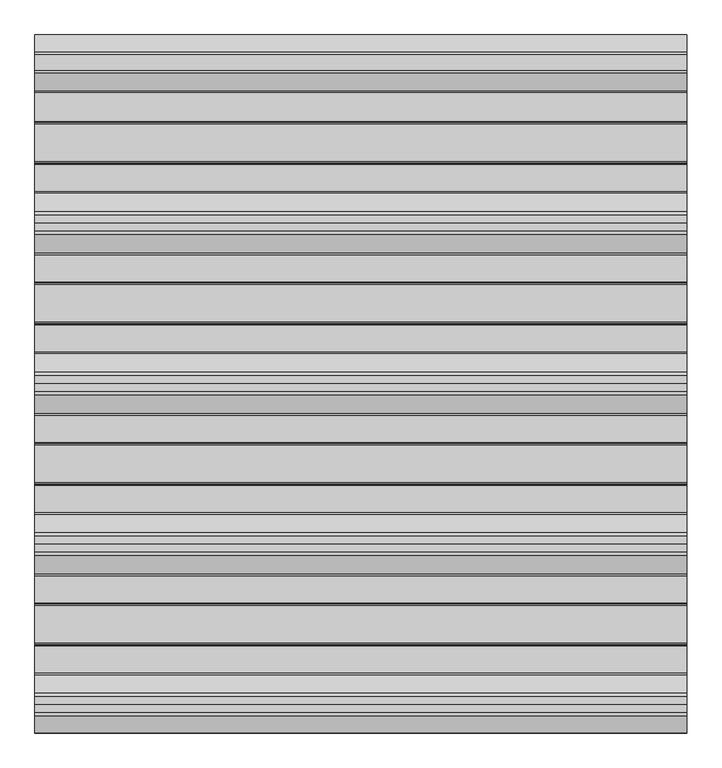
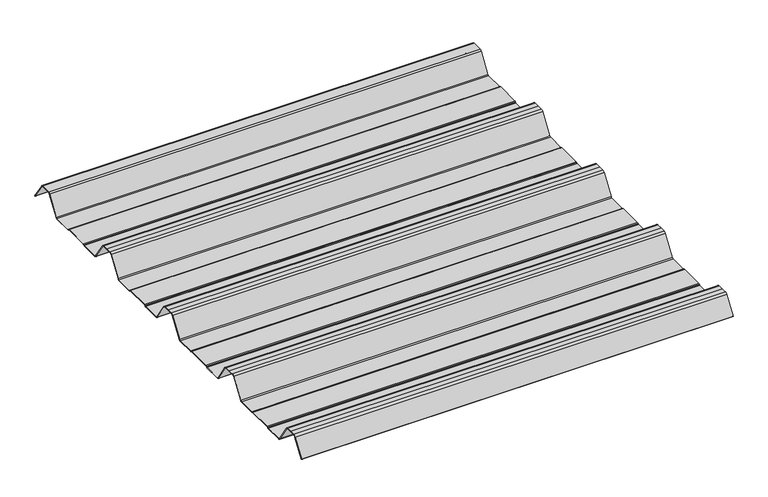
"""IFC4 building model written with IfcOpenShell, lengths in millimetres: beam geometry."""

from ifc_helpers import new_model, si_unit, point, frame, frame_2d, origin, place, context, project, spatial, polyline, circle_curve, trimmed, segment, composite_curve, outline, extrude, source, transform, mapped, element, save


def beam_3bdd080f(model_context):
    return source(origin(), model_context, "Body", "SweptSolid", [
        extrude(outline(composite_curve([segment(trimmed(circle_curve(frame_2d((-42.8221294, -22.7927378)), 1.9969096), [point((-42.8221294, -24.7896475))], [point((-41.1570881, -23.8951378))], True, "CARTESIAN"), True, "CONTINUOUS"), segment(polyline([(-41.1570881, -23.8951378), (-15.2135106, 15.2894853)]), True, "CONTINUOUS"), segment(trimmed(circle_curve(frame_2d((-11.5, 12.6603525)), 4.55), [point((-15.2135106, 15.2894853))], [point((-11.5, 17.2103525))], False, "CARTESIAN"), True, "CONTINUOUS"), segment(polyline([(-11.5, 17.2103525), (11.5, 17.2103525)]), True, "CONTINUOUS"), segment(trimmed(circle_curve(frame_2d((11.5, 12.6603525)), 4.55), [point((11.5, 17.2103525))], [point((15.2135106, 15.2894853))], False, "CARTESIAN"), True, "CONTINUOUS"), segment(polyline([(15.2135106, 15.2894853), (40.2177712, -22.4764137)]), True, "CONTINUOUS"), segment(trimmed(circle_curve(frame_2d((39.8008667, -22.7524402)), 0.5), [point((40.2177712, -22.4764137))], [point((39.3839622, -23.0284667))], False, "CARTESIAN"), True, "CONTINUOUS"), segment(polyline([(39.3839622, -23.0284667), (14.3888612, 14.7235977)]), True, "CONTINUOUS"), segment(trimmed(circle_curve(frame_2d((11.5, 12.6603525)), 3.55), [point((14.3888612, 14.7235977))], [point((11.5, 16.2103525))], True, "CARTESIAN"), True, "CONTINUOUS"), segment(polyline([(11.5, 16.2103525), (-11.5, 16.2103525)]), True, "CONTINUOUS"), segment(trimmed(circle_curve(frame_2d((-11.5, 12.6603525)), 3.55), [point((-11.5, 16.2103525))], [point((-14.3888612, 14.7235977))], True, "CARTESIAN"), True, "CONTINUOUS"), segment(polyline([(-14.3888612, 14.7235977), (-40.3232791, -24.4471908)]), True, "CONTINUOUS"), segment(trimmed(circle_curve(frame_2d((-42.8221294, -22.7927378)), 2.9969096), [point((-40.3232791, -24.4471908))], [point((-42.8221294, -25.7896475))], False, "CARTESIAN"), True, "CONTINUOUS"), segment(polyline([(-42.8221294, -25.7896475), (-85.388552, -25.7896475)]), True, "CONTINUOUS"), segment(trimmed(circle_curve(frame_2d((-85.388552, -24.3396475)), 1.45), [point((-85.388552, -25.7896475))], [point((-86.3205937, -25.4504122))], False, "CARTESIAN"), True, "CONTINUOUS"), segment(polyline([(-86.3205937, -25.4504122), (-87.5888326, -24.386234)]), True, "CONTINUOUS"), segment(trimmed(circle_curve(frame_2d((-89.2279412, -26.3396487)), 2.5500012), [point((-87.5888326, -24.386234))], [point((-89.2279412, -23.7896475))], True, "CARTESIAN"), True, "CONTINUOUS"), segment(polyline([(-89.2279412, -23.7896475), (-143.2720588, -23.7896475)]), True, "CONTINUOUS"), segment(trimmed(circle_curve(frame_2d((-143.2720588, -26.3396487)), 2.5500012), [point((-143.2720588, -23.7896475))], [point((-144.9111674, -24.386234))], True, "CARTESIAN"), True, "CONTINUOUS"), segment(polyline([(-144.9111674, -24.386234), (-146.1794063, -25.4504122)]), True, "CONTINUOUS"), segment(trimmed(circle_curve(frame_2d((-147.111448, -24.3396475)), 1.45), [point((-146.1794063, -25.4504122))], [point((-147.111448, -25.7896475))], False, "CARTESIAN"), True, "CONTINUOUS"), segment(polyline([(-147.111448, -25.7896475), (-186.4999995, -25.7896475)]), True, "CONTINUOUS"), segment(trimmed(circle_curve(frame_2d((-186.4999995, -21.3396478)), 4.4499996), [point((-186.4999995, -25.7896475))], [point((-190.1531515, -23.8807062))], False, "CARTESIAN"), True, "CONTINUOUS"), segment(polyline([(-190.1531515, -23.8807062), (-216.4608773, 15.8539187)]), True, "CONTINUOUS"), segment(trimmed(circle_curve(frame_2d((-221.0, 12.6603525)), 5.55), [point((-216.4608773, 15.8539187))], [point((-221.0, 18.2103525))], True, "CARTESIAN"), True, "CONTINUOUS"), segment(polyline([(-221.0, 18.2103525), (-232.5, 18.2103525), (-244.0, 18.2103525)]), True, "CONTINUOUS"), segment(trimmed(circle_curve(frame_2d((-244.0, 12.6603525)), 5.55), [point((-244.0, 18.2103525))], [point((-248.5391227, 15.8539187))], True, "CARTESIAN"), True, "CONTINUOUS"), segment(polyline([(-248.5391227, 15.8539187), (-274.8468485, -23.8807062)]), True, "CONTINUOUS"), segment(trimmed(circle_curve(frame_2d((-278.5000005, -21.3396478)), 4.4499996), [point((-274.8468485, -23.8807062))], [point((-278.5000005, -25.7896475))], False, "CARTESIAN"), True, "CONTINUOUS"), segment(polyline([(-278.5000005, -25.7896475), (-317.888552, -25.7896475)]), True, "CONTINUOUS"), segment(trimmed(circle_curve(frame_2d((-317.888552, -24.3396475)), 1.45), [point((-317.888552, -25.7896475))], [point((-318.8205937, -25.4504122))], False, "CARTESIAN"), True, "CONTINUOUS"), segment(polyline([(-318.8205937, -25.4504122), (-320.0888326, -24.386234)]), True, "CONTINUOUS"), segment(trimmed(circle_curve(frame_2d((-321.7279412, -26.3396487)), 2.5500012), [point((-320.0888326, -24.386234))], [point((-321.7279412, -23.7896475))], True, "CARTESIAN"), True, "CONTINUOUS"), segment(polyline([(-321.7279412, -23.7896475), (-375.7720588, -23.7896475)]), True, "CONTINUOUS"), segment(trimmed(circle_curve(frame_2d((-375.7720588, -26.3396487)), 2.5500012), [point((-375.7720588, -23.7896475))], [point((-377.4111674, -24.386234))], True, "CARTESIAN"), True, "CONTINUOUS"), segment(polyline([(-377.4111674, -24.386234), (-378.6794063, -25.4504122)]), True, "CONTINUOUS"), segment(trimmed(circle_curve(frame_2d((-379.611448, -24.3396475)), 1.45), [point((-378.6794063, -25.4504122))], [point((-379.611448, -25.7896475))], False, "CARTESIAN"), True, "CONTINUOUS"), segment(polyline([(-379.611448, -25.7896475), (-418.9999995, -25.7896475)]), True, "CONTINUOUS"), segment(trimmed(circle_curve(frame_2d((-418.9999995, -21.3396478)), 4.4499996), [point((-418.9999995, -25.7896475))], [point((-422.6531515, -23.8807062))], False, "CARTESIAN"), True, "CONTINUOUS"), segment(polyline([(-422.6531515, -23.8807062), (-448.9608773, 15.8539187)]), True, "CONTINUOUS"), segment(trimmed(circle_curve(frame_2d((-453.5, 12.6603525)), 5.55), [point((-448.9608773, 15.8539187))], [point((-453.5, 18.2103525))], True, "CARTESIAN"), True, "CONTINUOUS"), segment(polyline([(-453.5, 18.2103525), (-465.0, 18.2103525), (-476.5, 18.2103525)]), True, "CONTINUOUS"), segment(trimmed(circle_curve(frame_2d((-476.5, 12.6603525)), 5.55), [point((-476.5, 18.2103525))], [point((-481.0391227, 15.8539187))], True, "CARTESIAN"), True, "CONTINUOUS"), segment(polyline([(-481.0391227, 15.8539187), (-507.3468485, -23.8807062)]), True, "CONTINUOUS"), segment(trimmed(circle_curve(frame_2d((-511.0000005, -21.3396478)), 4.4499996), [point((-507.3468485, -23.8807062))], [point((-511.0000005, -25.7896475))], False, "CARTESIAN"), True, "CONTINUOUS"), segment(polyline([(-511.0000005, -25.7896475), (-550.388552, -25.7896475)]), True, "CONTINUOUS"), segment(trimmed(circle_curve(frame_2d((-550.388552, -24.3396475)), 1.45), [point((-550.388552, -25.7896475))], [point((-551.3205937, -25.4504122))], False, "CARTESIAN"), True, "CONTINUOUS"), segment(polyline([(-551.3205937, -25.4504122), (-552.5888326, -24.386234)]), True, "CONTINUOUS"), segment(trimmed(circle_curve(frame_2d((-554.2279412, -26.3396487)), 2.5500012), [point((-552.5888326, -24.386234))], [point((-554.2279412, -23.7896475))], True, "CARTESIAN"), True, "CONTINUOUS"), segment(polyline([(-554.2279412, -23.7896475), (-608.2720588, -23.7896475)]), True, "CONTINUOUS"), segment(trimmed(circle_curve(frame_2d((-608.2720588, -26.3396487)), 2.5500012), [point((-608.2720588, -23.7896475))], [point((-609.9111674, -24.386234))], True, "CARTESIAN"), True, "CONTINUOUS"), segment(polyline([(-609.9111674, -24.386234), (-611.1794063, -25.4504122)]), True, "CONTINUOUS"), segment(trimmed(circle_curve(frame_2d((-612.111448, -24.3396475)), 1.45), [point((-611.1794063, -25.4504122))], [point((-612.111448, -25.7896475))], False, "CARTESIAN"), True, "CONTINUOUS"), segment(polyline([(-612.111448, -25.7896475), (-651.4999995, -25.7896475)]), True, "CONTINUOUS"), segment(trimmed(circle_curve(frame_2d((-651.4999995, -21.3396478)), 4.4499996), [point((-651.4999995, -25.7896475))], [point((-655.1531515, -23.8807062))], False, "CARTESIAN"), True, "CONTINUOUS"), segment(polyline([(-655.1531515, -23.8807062), (-681.4608773, 15.8539187)]), True, "CONTINUOUS"), segment(trimmed(circle_curve(frame_2d((-686.0, 12.6603525)), 5.55), [point((-681.4608773, 15.8539187))], [point((-686.0, 18.2103525))], True, "CARTESIAN"), True, "CONTINUOUS"), segment(polyline([(-686.0, 18.2103525), (-697.5, 18.2103525), (-709.0, 18.2103525)]), True, "CONTINUOUS"), segment(trimmed(circle_curve(frame_2d((-709.0, 12.6603525)), 5.55), [point((-709.0, 18.2103525))], [point((-713.5391227, 15.8539187))], True, "CARTESIAN"), True, "CONTINUOUS"), segment(polyline([(-713.5391227, 15.8539187), (-739.8468485, -23.8807062)]), True, "CONTINUOUS"), segment(trimmed(circle_curve(frame_2d((-743.5000005, -21.3396478)), 4.4499996), [point((-739.8468485, -23.8807062))], [point((-743.5000005, -25.7896475))], False, "CARTESIAN"), True, "CONTINUOUS"), segment(polyline([(-743.5000005, -25.7896475), (-782.888552, -25.7896475)]), True, "CONTINUOUS"), segment(trimmed(circle_curve(frame_2d((-782.888552, -24.3396475)), 1.45), [point((-782.888552, -25.7896475))], [point((-783.8205937, -25.4504122))], False, "CARTESIAN"), True, "CONTINUOUS"), segment(polyline([(-783.8205937, -25.4504122), (-785.0888326, -24.386234)]), True, "CONTINUOUS"), segment(trimmed(circle_curve(frame_2d((-786.7279412, -26.3396487)), 2.5500012), [point((-785.0888326, -24.386234))], [point((-786.7279412, -23.7896475))], True, "CARTESIAN"), True, "CONTINUOUS"), segment(polyline([(-786.7279412, -23.7896475), (-840.7720588, -23.7896475)]), True, "CONTINUOUS"), segment(trimmed(circle_curve(frame_2d((-840.7720588, -26.3396487)), 2.5500012), [point((-840.7720588, -23.7896475))], [point((-842.4111674, -24.386234))], True, "CARTESIAN"), True, "CONTINUOUS"), segment(polyline([(-842.4111674, -24.386234), (-843.6794063, -25.4504122)]), True, "CONTINUOUS"), segment(trimmed(circle_curve(frame_2d((-844.611448, -24.3396475)), 1.45), [point((-843.6794063, -25.4504122))], [point((-844.611448, -25.7896475))], False, "CARTESIAN"), True, "CONTINUOUS"), segment(polyline([(-844.611448, -25.7896475), (-883.9999995, -25.7896475)]), True, "CONTINUOUS"), segment(trimmed(circle_curve(frame_2d((-883.9999995, -21.3396478)), 4.4499996), [point((-883.9999995, -25.7896475))], [point((-887.6531515, -23.8807062))], False, "CARTESIAN"), True, "CONTINUOUS"), segment(polyline([(-887.6531515, -23.8807062), (-913.9608773, 15.8539187)]), True, "CONTINUOUS"), segment(trimmed(circle_curve(frame_2d((-918.5, 12.6603525)), 5.55), [point((-913.9608773, 15.8539187))], [point((-918.5, 18.2103525))], True, "CARTESIAN"), True, "CONTINUOUS"), segment(polyline([(-918.5, 18.2103525), (-930.0, 18.2103525), (-941.5, 18.2103525)]), True, "CONTINUOUS"), segment(trimmed(circle_curve(frame_2d((-941.5, 12.6603525)), 5.55), [point((-941.5, 18.2103525))], [point((-946.0391227, 15.8539187))], True, "CARTESIAN"), True, "CONTINUOUS"), segment(polyline([(-946.0391227, 15.8539187), (-969.9715304, -20.2930766)]), True, "CONTINUOUS"), segment(trimmed(circle_curve(frame_2d((-970.3884349, -20.0170501)), 0.5), [point((-969.9715304, -20.2930766))], [point((-970.8053395, -19.7410236))], False, "CARTESIAN"), True, "CONTINUOUS"), segment(polyline([(-970.8053395, -19.7410236), (-946.8654458, 16.4172784)]), True, "CONTINUOUS"), segment(trimmed(circle_curve(frame_2d((-941.5, 12.6603525)), 6.55), [point((-946.8654458, 16.4172784))], [point((-941.5, 19.2103525))], False, "CARTESIAN"), True, "CONTINUOUS"), segment(polyline([(-941.5, 19.2103525), (-930.0, 19.2103525), (-918.5, 19.2103525)]), True, "CONTINUOUS"), segment(trimmed(circle_curve(frame_2d((-918.5, 12.6603525)), 6.55), [point((-918.5, 19.2103525))], [point((-913.1345542, 16.4172784))], False, "CARTESIAN"), True, "CONTINUOUS"), segment(polyline([(-913.1345542, 16.4172784), (-886.8260739, -23.3184861)]), True, "CONTINUOUS"), segment(trimmed(circle_curve(frame_2d((-883.9999995, -21.3396478)), 3.4499996), [point((-886.8260739, -23.3184861))], [point((-883.9999995, -24.7896475))], True, "CARTESIAN"), True, "CONTINUOUS"), segment(polyline([(-883.9999995, -24.7896475), (-844.8915726, -24.7896475)]), True, "CONTINUOUS"), segment(trimmed(circle_curve(frame_2d((-844.8915726, -23.5700111)), 1.2196364), [point((-844.8915726, -24.7896475))], [point((-844.1076057, -24.504307))], True, "CARTESIAN"), True, "CONTINUOUS"), segment(polyline([(-844.1076057, -24.504307), (-843.0539548, -23.6201894)]), True, "CONTINUOUS"), segment(trimmed(circle_curve(frame_2d((-840.7720588, -26.3396487)), 3.5500012), [point((-843.0539548, -23.6201894))], [point((-840.7720588, -22.7896475))], False, "CARTESIAN"), True, "CONTINUOUS"), segment(polyline([(-840.7720588, -22.7896475), (-786.7279412, -22.7896475)]), True, "CONTINUOUS"), segment(trimmed(circle_curve(frame_2d((-786.7279412, -26.3396487)), 3.5500012), [point((-786.7279412, -22.7896475))], [point((-784.4460452, -23.6201894))], False, "CARTESIAN"), True, "CONTINUOUS"), segment(polyline([(-784.4460452, -23.6201894), (-783.3923943, -24.504307)]), True, "CONTINUOUS"), segment(trimmed(circle_curve(frame_2d((-782.6084274, -23.5700111)), 1.2196364), [point((-783.3923943, -24.504307))], [point((-782.6084274, -24.7896475))], True, "CARTESIAN"), True, "CONTINUOUS"), segment(polyline([(-782.6084274, -24.7896475), (-743.5000005, -24.7896475)]), True, "CONTINUOUS"), segment(trimmed(circle_curve(frame_2d((-743.5000005, -21.3396478)), 3.4499996), [point((-743.5000005, -24.7896475))], [point((-740.6739261, -23.3184861))], True, "CARTESIAN"), True, "CONTINUOUS"), segment(polyline([(-740.6739261, -23.3184861), (-714.3654458, 16.4172784)]), True, "CONTINUOUS"), segment(trimmed(circle_curve(frame_2d((-709.0, 12.6603525)), 6.55), [point((-714.3654458, 16.4172784))], [point((-709.0, 19.2103525))], False, "CARTESIAN"), True, "CONTINUOUS"), segment(polyline([(-709.0, 19.2103525), (-697.5, 19.2103525), (-686.0, 19.2103525)]), True, "CONTINUOUS"), segment(trimmed(circle_curve(frame_2d((-686.0, 12.6603525)), 6.55), [point((-686.0, 19.2103525))], [point((-680.6345542, 16.4172784))], False, "CARTESIAN"), True, "CONTINUOUS"), segment(polyline([(-680.6345542, 16.4172784), (-654.3260739, -23.3184861)]), True, "CONTINUOUS"), segment(trimmed(circle_curve(frame_2d((-651.4999995, -21.3396478)), 3.4499996), [point((-654.3260739, -23.3184861))], [point((-651.4999995, -24.7896475))], True, "CARTESIAN"), True, "CONTINUOUS"), segment(polyline([(-651.4999995, -24.7896475), (-612.3915726, -24.7896475)]), True, "CONTINUOUS"), segment(trimmed(circle_curve(frame_2d((-612.3915726, -23.5700111)), 1.2196364), [point((-612.3915726, -24.7896475))], [point((-611.6076057, -24.504307))], True, "CARTESIAN"), True, "CONTINUOUS"), segment(polyline([(-611.6076057, -24.504307), (-610.5539548, -23.6201894)]), True, "CONTINUOUS"), segment(trimmed(circle_curve(frame_2d((-608.2720588, -26.3396487)), 3.5500012), [point((-610.5539548, -23.6201894))], [point((-608.2720588, -22.7896475))], False, "CARTESIAN"), True, "CONTINUOUS"), segment(polyline([(-608.2720588, -22.7896475), (-554.2279412, -22.7896475)]), True, "CONTINUOUS"), segment(trimmed(circle_curve(frame_2d((-554.2279412, -26.3396487)), 3.5500012), [point((-554.2279412, -22.7896475))], [point((-551.9460452, -23.6201894))], False, "CARTESIAN"), True, "CONTINUOUS"), segment(polyline([(-551.9460452, -23.6201894), (-550.8923943, -24.504307)]), True, "CONTINUOUS"), segment(trimmed(circle_curve(frame_2d((-550.1084274, -23.5700111)), 1.2196364), [point((-550.8923943, -24.504307))], [point((-550.1084274, -24.7896475))], True, "CARTESIAN"), True, "CONTINUOUS"), segment(polyline([(-550.1084274, -24.7896475), (-511.0000005, -24.7896475)]), True, "CONTINUOUS"), segment(trimmed(circle_curve(frame_2d((-511.0000005, -21.3396478)), 3.4499996), [point((-511.0000005, -24.7896475))], [point((-508.1739261, -23.3184861))], True, "CARTESIAN"), True, "CONTINUOUS"), segment(polyline([(-508.1739261, -23.3184861), (-481.8654458, 16.4172784)]), True, "CONTINUOUS"), segment(trimmed(circle_curve(frame_2d((-476.5, 12.6603525)), 6.55), [point((-481.8654458, 16.4172784))], [point((-476.5, 19.2103525))], False, "CARTESIAN"), True, "CONTINUOUS"), segment(polyline([(-476.5, 19.2103525), (-465.0, 19.2103525), (-453.5, 19.2103525)]), True, "CONTINUOUS"), segment(trimmed(circle_curve(frame_2d((-453.5, 12.6603525)), 6.55), [point((-453.5, 19.2103525))], [point((-448.1345542, 16.4172784))], False, "CARTESIAN"), True, "CONTINUOUS"), segment(polyline([(-448.1345542, 16.4172784), (-421.8260739, -23.3184861)]), True, "CONTINUOUS"), segment(trimmed(circle_curve(frame_2d((-418.9999995, -21.3396478)), 3.4499996), [point((-421.8260739, -23.3184861))], [point((-418.9999995, -24.7896475))], True, "CARTESIAN"), True, "CONTINUOUS"), segment(polyline([(-418.9999995, -24.7896475), (-379.8915726, -24.7896475)]), True, "CONTINUOUS"), segment(trimmed(circle_curve(frame_2d((-379.8915726, -23.5700111)), 1.2196364), [point((-379.8915726, -24.7896475))], [point((-379.1076057, -24.504307))], True, "CARTESIAN"), True, "CONTINUOUS"), segment(polyline([(-379.1076057, -24.504307), (-378.0539548, -23.6201894)]), True, "CONTINUOUS"), segment(trimmed(circle_curve(frame_2d((-375.7720588, -26.3396487)), 3.5500012), [point((-378.0539548, -23.6201894))], [point((-375.7720588, -22.7896475))], False, "CARTESIAN"), True, "CONTINUOUS"), segment(polyline([(-375.7720588, -22.7896475), (-321.7279412, -22.7896475)]), True, "CONTINUOUS"), segment(trimmed(circle_curve(frame_2d((-321.7279412, -26.3396487)), 3.5500012), [point((-321.7279412, -22.7896475))], [point((-319.4460452, -23.6201894))], False, "CARTESIAN"), True, "CONTINUOUS"), segment(polyline([(-319.4460452, -23.6201894), (-318.3923943, -24.504307)]), True, "CONTINUOUS"), segment(trimmed(circle_curve(frame_2d((-317.6084274, -23.5700111)), 1.2196364), [point((-318.3923943, -24.504307))], [point((-317.6084274, -24.7896475))], True, "CARTESIAN"), True, "CONTINUOUS"), segment(polyline([(-317.6084274, -24.7896475), (-278.5000005, -24.7896475)]), True, "CONTINUOUS"), segment(trimmed(circle_curve(frame_2d((-278.5000005, -21.3396478)), 3.4499996), [point((-278.5000005, -24.7896475))], [point((-275.6739261, -23.3184861))], True, "CARTESIAN"), True, "CONTINUOUS"), segment(polyline([(-275.6739261, -23.3184861), (-249.3654458, 16.4172784)]), True, "CONTINUOUS"), segment(trimmed(circle_curve(frame_2d((-244.0, 12.6603525)), 6.55), [point((-249.3654458, 16.4172784))], [point((-244.0, 19.2103525))], False, "CARTESIAN"), True, "CONTINUOUS"), segment(polyline([(-244.0, 19.2103525), (-232.5, 19.2103525), (-221.0, 19.2103525)]), True, "CONTINUOUS"), segment(trimmed(circle_curve(frame_2d((-221.0, 12.6603525)), 6.55), [point((-221.0, 19.2103525))], [point((-215.6345542, 16.4172784))], False, "CARTESIAN"), True, "CONTINUOUS"), segment(polyline([(-215.6345542, 16.4172784), (-189.3260739, -23.3184861)]), True, "CONTINUOUS"), segment(trimmed(circle_curve(frame_2d((-186.4999995, -21.3396478)), 3.4499996), [point((-189.3260739, -23.3184861))], [point((-186.4999995, -24.7896475))], True, "CARTESIAN"), True, "CONTINUOUS"), segment(polyline([(-186.4999995, -24.7896475), (-147.3915726, -24.7896475)]), True, "CONTINUOUS"), segment(trimmed(circle_curve(frame_2d((-147.3915726, -23.5700111)), 1.2196364), [point((-147.3915726, -24.7896475))], [point((-146.6076057, -24.504307))], True, "CARTESIAN"), True, "CONTINUOUS"), segment(polyline([(-146.6076057, -24.504307), (-145.5539548, -23.6201894)]), True, "CONTINUOUS"), segment(trimmed(circle_curve(frame_2d((-143.2720588, -26.3396487)), 3.5500012), [point((-145.5539548, -23.6201894))], [point((-143.2720588, -22.7896475))], False, "CARTESIAN"), True, "CONTINUOUS"), segment(polyline([(-143.2720588, -22.7896475), (-89.2279412, -22.7896475)]), True, "CONTINUOUS"), segment(trimmed(circle_curve(frame_2d((-89.2279412, -26.3396487)), 3.5500012), [point((-89.2279412, -22.7896475))], [point((-86.9460452, -23.6201894))], False, "CARTESIAN"), True, "CONTINUOUS"), segment(polyline([(-86.9460452, -23.6201894), (-85.8923943, -24.504307)]), True, "CONTINUOUS"), segment(trimmed(circle_curve(frame_2d((-85.1084274, -23.5700111)), 1.2196364), [point((-85.8923943, -24.504307))], [point((-85.1084274, -24.7896475))], True, "CARTESIAN"), True, "CONTINUOUS"), segment(polyline([(-85.1084274, -24.7896475), (-42.8221294, -24.7896475)]), True, "CONTINUOUS")], self_intersect=False)), frame((-472.5002337, 0.0, 0.0), z_axis=(1.0, 0.0, 0.0), x_axis=(0.0, 1.0, 0.0)), (0.0, 0.0, 1.0), 945.0004675),
    ])


if __name__ == "__main__":
    model = new_model("IFC4")
    model_context = context("Model", 3, world=origin())
    ifc_project = project(units=[si_unit("LENGTHUNIT", "METRE", prefix="MILLI")], contexts=[model_context])
    site = spatial("IfcSite", under=ifc_project)
    building = spatial("IfcBuilding", under=site)
    placement = place(None, origin())
    beam_shape = beam_3bdd080f(model_context)
    element("IfcBeam", 1, at=placement, inside=building, context=model_context, shape_type="MappedRepresentation", body=[
        mapped(beam_shape, transform((0.0, 0.0, 0.0), x_axis=(1.0, 0.0, 0.0), y_axis=(0.0, 1.0, 0.0), z_axis=(0.0, 0.0, 1.0))),
    ])
    save(model, "model.ifc")
